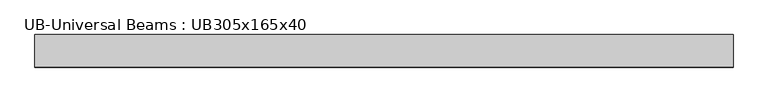
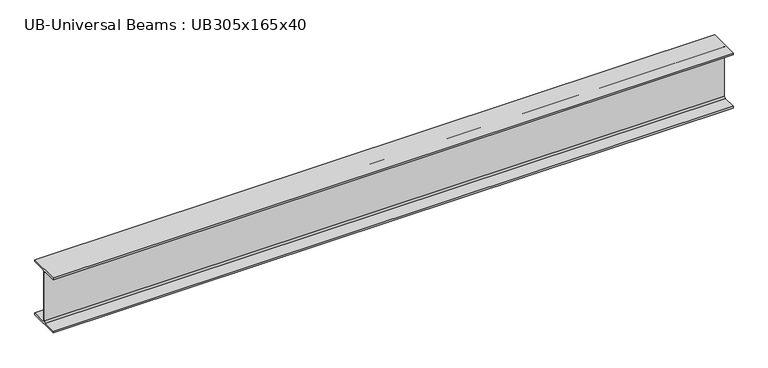
"""IFC4 building model written with IfcOpenShell, lengths in millimetres: beam geometry, UB-Universal Beams : UB305x165x40."""

from ifc_helpers import new_model, si_unit, point, frame, frame_2d, origin, place, context, project, spatial, polyline, circle_curve, trimmed, segment, composite_curve, outline, extrude, source, transform, mapped, element, save


def ub_universal_beams_ub305x165x40_61fafdd4(model_context):
    return source(origin(), model_context, "Body", "SweptSolid", [
        extrude(outline(composite_curve([segment(polyline([(82.5, -141.5), (82.5, -151.7), (-82.5, -151.7), (-82.5, -141.5), (-11.9, -141.5)]), True, "CONTINUOUS"), segment(trimmed(circle_curve(frame_2d((-11.9, -132.6)), 8.9), [point((-11.9, -141.5))], [point((-3.0, -132.6))], True, "CARTESIAN"), True, "CONTINUOUS"), segment(polyline([(-3.0, -132.6), (-3.0, 132.6)]), True, "CONTINUOUS"), segment(trimmed(circle_curve(frame_2d((-11.9, 132.6)), 8.9), [point((-3.0, 132.6))], [point((-11.9, 141.5))], True, "CARTESIAN"), True, "CONTINUOUS"), segment(polyline([(-11.9, 141.5), (-82.5, 141.5), (-82.5, 151.7), (82.5, 151.7), (82.5, 141.5), (11.9, 141.5)]), True, "CONTINUOUS"), segment(trimmed(circle_curve(frame_2d((11.9, 132.6)), 8.9), [point((11.9, 141.5))], [point((3.0, 132.6))], True, "CARTESIAN"), True, "CONTINUOUS"), segment(polyline([(3.0, 132.6), (3.0, -132.6)]), True, "CONTINUOUS"), segment(trimmed(circle_curve(frame_2d((11.9, -132.6)), 8.9), [point((3.0, -132.6))], [point((11.9, -141.5))], True, "CARTESIAN"), True, "CONTINUOUS"), segment(polyline([(11.9, -141.5), (82.5, -141.5)]), True, "CONTINUOUS")], self_intersect=False)), frame((-1767.5, 0.0, 0.0), z_axis=(1.0, 0.0, 0.0), x_axis=(0.0, 1.0, 0.0)), (0.0, 0.0, 1.0), 3535.0),
    ])


if __name__ == "__main__":
    model = new_model("IFC4")
    model_context = context("Model", 3, world=origin())
    ifc_project = project(units=[si_unit("LENGTHUNIT", "METRE", prefix="MILLI")], contexts=[model_context])
    site = spatial("IfcSite", under=ifc_project)
    building = spatial("IfcBuilding", under=site)
    placement = place(None, origin())
    ub_universal_beams_ub305x165x40_shape = ub_universal_beams_ub305x165x40_61fafdd4(model_context)
    element("IfcBeam", 1, ObjectType="UB-Universal Beams : UB305x165x40", at=placement, inside=building, context=model_context, shape_type="MappedRepresentation", body=[
        mapped(ub_universal_beams_ub305x165x40_shape, transform((0.0, 0.0, 0.0), x_axis=(1.0, 0.0, 0.0), y_axis=(0.0, 1.0, 0.0), z_axis=(0.0, 0.0, 1.0))),
    ])
    save(model, "model.ifc")
